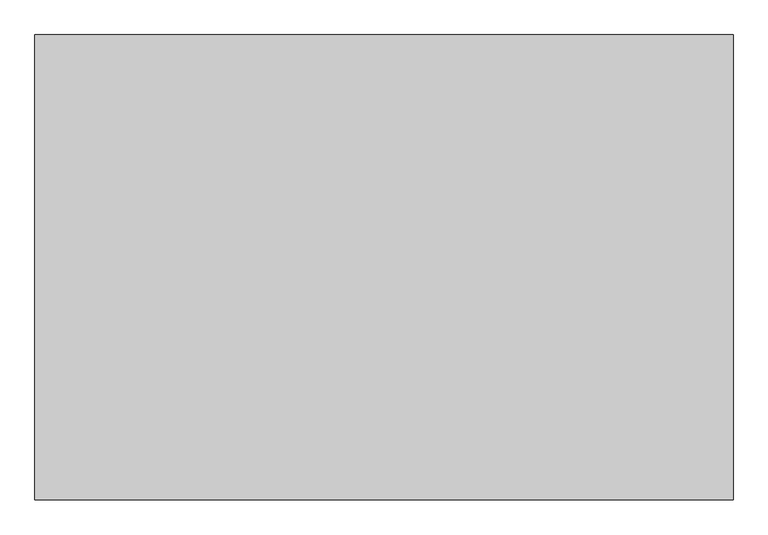
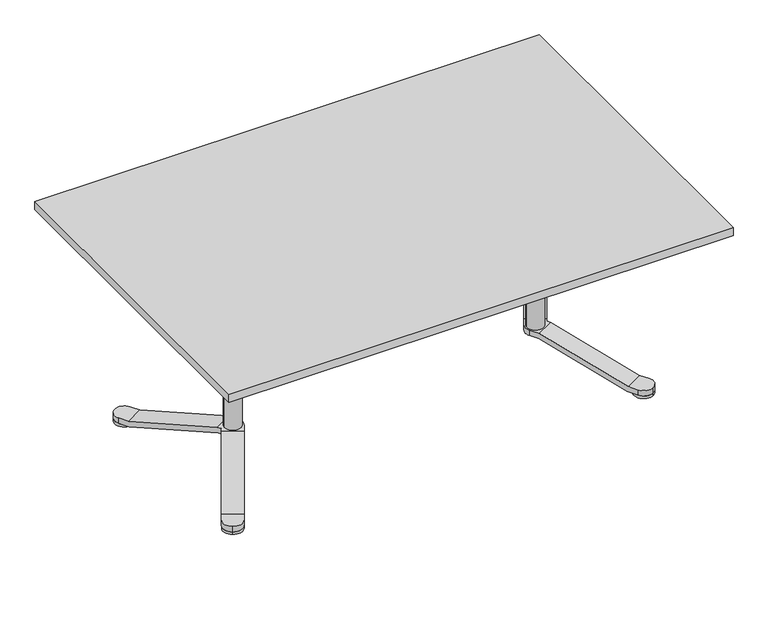
"""IFC4 building model written with IfcOpenShell, lengths in millimetres: furniture geometry."""

from ifc_helpers import new_model, si_unit, point, frame, frame_2d, origin, origin_with_axes, place, context, project, spatial, polyline, circle_curve, ellipse_curve, trimmed, segment, composite_curve, outline, extrude, source, transform, mapped, element, save
from ifc_brep_helpers import plane_surface, cylinder_surface, advanced_brep


def furniture_3f6664e4(model_context):
    return source(origin(), model_context, "Body", "SolidModel", [
        advanced_brep(
        [(-313.9430973, -35.0, 694.0), (-275.0, -35.0, 694.0), (-240.0, 0.0, 694.0), (-275.0, 35.0, 694.0), (-313.9430973, 35.0, 694.0), (-310.0, -35.0, 674.0), (-310.0, 35.0, 674.0), (-275.0, 35.0, 674.0), (-240.0, 0.0, 674.0), (-275.0, -35.0, 674.0), (-508.9430973, 35.0, 614.0), (-508.9430973, 16.1390456, 614.0), (-505.0, 0.0, 615.6176809), (-508.9430973, -16.1390456, 614.0), (-508.9430973, -35.0, 614.0), (-505.0, -35.0, 594.0), (-505.0, 35.0, 594.0), (-505.0, 0.0, 618.0), (-575.0, 0.0, 618.0), (-575.0, 0.0, 614.0), (-569.5052748, -18.8265439, 614.0), (-541.5516279, -34.9655895, 614.0), (-541.5516279, 34.9655895, 614.0), (-569.5052748, 18.8265439, 614.0), (-519.7927406, -35.0, 614.0), (-519.7927406, -35.0, 594.0), (-519.7927406, 35.0, 594.0), (-519.7927406, 35.0, 614.0), (-525.2175622, -44.3960667, 614.0), (-525.2175622, 44.3960667, 614.0), (-585.8393405, 9.3960667, 614.0), (-580.4145188, 0.0, 614.0), (-585.8393405, -9.3960667, 614.0), (-527.1891109, -47.8108891, 594.0), (-587.8108891, -12.8108891, 594.0), (-580.4145188, 0.0, 594.0), (-587.8108891, 12.8108891, 594.0), (-527.1891109, 47.8108891, 594.0), (-622.7175622, 213.2710205, 694.0), (-642.1891109, 246.996732, 694.0), (-690.0, 259.8076211, 694.0), (-702.8108891, 211.996732, 694.0), (-683.3393405, 178.2710205, 694.0), (-624.6891109, 216.6858429, 674.0), (-685.3108891, 181.6858429, 674.0), (-702.8108891, 211.996732, 674.0), (-690.0, 259.8076211, 674.0), (-642.1891109, 246.996732, 674.0), (-690.0, -259.8076211, 694.0), (-642.1891109, -246.996732, 694.0), (-622.7175622, -213.2710205, 694.0), (-683.3393405, -178.2710205, 694.0), (-702.8108891, -211.996732, 694.0), (-690.0, -259.8076211, 674.0), (-702.8108891, -211.996732, 674.0), (-685.3108891, -181.6858429, 674.0), (-624.6891109, -216.6858429, 674.0), (-642.1891109, -246.996732, 674.0)],
        [
            (0, 1),
            (1, 2, circle_curve(frame((-275.0, 0.0, 694.0), z_axis=(0.0, 0.0, 1.0), x_axis=(-1.0, 0.0, 0.0)), 35.0)),
            (2, 3, circle_curve(frame((-275.0, 0.0, 694.0), z_axis=(0.0, 0.0, 1.0), x_axis=(-1.0, 0.0, 0.0)), 35.0)),
            (3, 4),
            (4, 0),
            (5, 6),
            (6, 7),
            (7, 8, circle_curve(frame((-275.0, 0.0, 674.0), z_axis=(0.0, 0.0, -1.0), x_axis=(-1.0, 0.0, 0.0)), 35.0)),
            (8, 9, circle_curve(frame((-275.0, 0.0, 674.0), z_axis=(0.0, 0.0, -1.0), x_axis=(-1.0, 0.0, 0.0)), 35.0)),
            (9, 5),
            (1, 9),
            (8, 2),
            (7, 3),
            (4, 10),
            (10, 11),
            (11, 12, ellipse_curve(frame((-540.0, 0.0, 601.2587066), z_axis=(0.37955635625630724, 0.0, -0.9251686183747454), x_axis=(0.9251686183747455, 0.0, 0.37955635625630696)), 37.8309416, 35.0)),
            (12, 13, ellipse_curve(frame((-540.0, 0.0, 601.2587066), z_axis=(0.37955635625630724, 0.0, -0.9251686183747454), x_axis=(0.9251686183747455, 0.0, 0.37955635625630696)), 37.8309416, 35.0)),
            (13, 14),
            (14, 0),
            (5, 15),
            (15, 16),
            (16, 6),
            (17, 18, circle_curve(frame((-540.0, 0.0, 618.0), z_axis=(0.0, 0.0, 1.0), x_axis=(-1.0, 0.0, 0.0)), 35.0)),
            (18, 17, circle_curve(frame((-540.0, 0.0, 618.0), z_axis=(0.0, 0.0, 1.0), x_axis=(-1.0, 0.0, 0.0)), 35.0)),
            (18, 19),
            (19, 20, circle_curve(frame((-540.0, 0.0, 614.0), z_axis=(0.0, 0.0, 1.0), x_axis=(-1.0, 0.0, 0.0)), 35.0)),
            (20, 21, ellipse_curve(frame((-540.0, 0.0, 601.2587066), z_axis=(0.18977817812817024, 0.32870544668580903, 0.9251686183747454), x_axis=(-0.46258430918741966, -0.8012195262966529, 0.37955635625630724)), 37.8309416, 35.0)),
            (21, 13, circle_curve(frame((-540.0, 0.0, 614.0), z_axis=(0.0, 0.0, 1.0), x_axis=(-1.0, 0.0, 0.0)), 35.0)),
            (12, 17),
            (11, 22, circle_curve(frame((-540.0, 0.0, 614.0), z_axis=(0.0, 0.0, 1.0), x_axis=(-1.0, 0.0, 0.0)), 35.0)),
            (22, 23, ellipse_curve(frame((-540.0, 0.0, 601.2587066), z_axis=(0.18977817812813838, -0.3287054466858273, 0.9251686183747454), x_axis=(-0.4625843091873421, 0.8012195262966977, 0.3795563562563073)), 37.8309416, 35.0)),
            (23, 19, circle_curve(frame((-540.0, 0.0, 614.0), z_axis=(0.0, 0.0, 1.0), x_axis=(-1.0, 0.0, 0.0)), 35.0)),
            (14, 24),
            (24, 25),
            (25, 15),
            (16, 26),
            (26, 27),
            (27, 10),
            (21, 28),
            (28, 24),
            (27, 29),
            (29, 22),
            (30, 31),
            (31, 32),
            (32, 20),
            (23, 30),
            (25, 33),
            (33, 34),
            (34, 35),
            (35, 36),
            (36, 37),
            (37, 26),
            (38, 39),
            (39, 40, circle_curve(frame((-672.5, 229.496732, 694.0), z_axis=(0.0, 0.0, 1.0), x_axis=(0.5000000000000033, -0.8660254037844368, 0.0)), 35.0)),
            (40, 41, circle_curve(frame((-672.5, 229.496732, 694.0), z_axis=(0.0, 0.0, 1.0), x_axis=(0.5000000000000033, -0.8660254037844368, 0.0)), 35.0)),
            (41, 42),
            (42, 38),
            (43, 44),
            (44, 45),
            (45, 46, circle_curve(frame((-672.5, 229.496732, 674.0), z_axis=(0.0, 0.0, -1.0), x_axis=(0.5000000000000033, -0.8660254037844368, 0.0)), 35.0)),
            (46, 47, circle_curve(frame((-672.5, 229.496732, 674.0), z_axis=(0.0, 0.0, -1.0), x_axis=(0.5000000000000033, -0.8660254037844368, 0.0)), 35.0)),
            (47, 43),
            (39, 47),
            (46, 40),
            (45, 41),
            (42, 30),
            (29, 38),
            (43, 37),
            (36, 44),
            (35, 31),
            (48, 49, circle_curve(frame((-672.5, -229.496732, 694.0), z_axis=(0.0, 0.0, 1.0), x_axis=(0.4999999999999982, 0.8660254037844397, 0.0)), 35.0)),
            (49, 50),
            (50, 51),
            (51, 52),
            (52, 48, circle_curve(frame((-672.5, -229.496732, 694.0), z_axis=(0.0, 0.0, 1.0), x_axis=(0.4999999999999982, 0.8660254037844397, 0.0)), 35.0)),
            (53, 54, circle_curve(frame((-672.5, -229.496732, 674.0), z_axis=(0.0, 0.0, -1.0), x_axis=(0.4999999999999982, 0.8660254037844397, 0.0)), 35.0)),
            (54, 55),
            (55, 56),
            (56, 57),
            (57, 53, circle_curve(frame((-672.5, -229.496732, 674.0), z_axis=(0.0, 0.0, -1.0), x_axis=(0.4999999999999982, 0.8660254037844397, 0.0)), 35.0)),
            (52, 54),
            (53, 48),
            (57, 49),
            (50, 28),
            (32, 51),
            (55, 34),
            (33, 56),
        ],
        [
            plane_surface(frame((-310.0, 0.0, 694.0), z_axis=(0.0, 0.0, 1.0), x_axis=(0.0, 1.0, 0.0))),
            plane_surface(frame((-310.0, 0.0, 674.0), z_axis=(0.0, 0.0, -1.0), x_axis=(0.0, -1.0, 0.0))),
            cylinder_surface(frame((-275.0, 0.0, 674.0), z_axis=(0.0, 0.0, 1.0), x_axis=(-1.0, 0.0, 0.0)), 35.0),
            plane_surface(frame((-313.9430973, -35.0, 694.0), z_axis=(-0.37955635625630724, 0.0, 0.9251686183747454), x_axis=(-0.9251686183747454, 0.0, -0.37955635625630724))),
            plane_surface(frame((-310.0, 35.0, 674.0), z_axis=(0.37955635625630724, 0.0, -0.9251686183747454), x_axis=(-0.9251686183747454, 0.0, -0.37955635625630724))),
            plane_surface(frame((-575.0, 0.0, 618.0), z_axis=(0.0, 0.0, 1.0), x_axis=(0.0, 1.0, 0.0))),
            cylinder_surface(frame((-540.0, 0.0, 594.0), z_axis=(0.0, 0.0, 1.0), x_axis=(-1.0, 0.0, 0.0)), 35.0),
            plane_surface(frame((-275.0, -35.0, 674.0), z_axis=(0.0, -1.0, 0.0), x_axis=(-1.0, 0.0, 0.0))),
            plane_surface(frame((-275.0, 35.0, 694.0), z_axis=(0.0, 1.0, 0.0), x_axis=(-1.0, 0.0, 0.0))),
            plane_surface(frame((-508.9430973, -35.0, 614.0), z_axis=(0.0, 0.0, 1.0), x_axis=(-1.0, 0.0, 0.0))),
            plane_surface(frame((-505.0, 35.0, 594.0), z_axis=(0.0, 0.0, -1.0), x_axis=(-1.0, 0.0, 0.0))),
            plane_surface(frame((-655.0, 199.1858429, 694.0), z_axis=(0.0, 0.0, 1.0000000000000002), x_axis=(-0.8660254037844368, -0.5000000000000033, 0.0))),
            plane_surface(frame((-655.0, 199.1858429, 674.0), z_axis=(0.0, 0.0, -1.0000000000000002), x_axis=(0.8660254037844368, 0.5000000000000033, 0.0))),
            cylinder_surface(frame((-672.5, 229.496732, 674.0), z_axis=(0.0, 0.0, 1.0000000000000002), x_axis=(0.5000000000000033, -0.8660254037844368, 0.0)), 35.0),
            plane_surface(frame((-622.7175622, 213.2710205, 694.0), z_axis=(0.18977817812813838, -0.3287054466858273, 0.9251686183747454), x_axis=(0.46258430918737786, -0.8012195262966771, -0.379556356256307))),
            plane_surface(frame((-685.3108891, 181.6858429, 674.0), z_axis=(-0.18977817812813805, 0.32870544668582763, -0.9251686183747454), x_axis=(0.46258430918737803, -0.801219526296677, -0.3795563562563071))),
            plane_surface(frame((-642.1891109, 246.996732, 674.0), z_axis=(0.8660254037844353, 0.500000000000006, 0.0), x_axis=(0.500000000000006, -0.8660254037844353, 0.0))),
            plane_surface(frame((-702.8108891, 211.996732, 694.0), z_axis=(-0.8660254037844354, -0.5000000000000057, 0.0), x_axis=(0.5000000000000057, -0.8660254037844354, 0.0))),
            plane_surface(frame((-655.0, -199.1858429, 694.0), z_axis=(0.0, 0.0, 1.0), x_axis=(0.8660254037844397, -0.4999999999999982, 0.0))),
            plane_surface(frame((-655.0, -199.1858429, 674.0), z_axis=(0.0, 0.0, -1.0), x_axis=(-0.8660254037844397, 0.4999999999999982, 0.0))),
            cylinder_surface(frame((-672.5, -229.496732, 674.0), z_axis=(0.0, 0.0, 1.0), x_axis=(0.4999999999999982, 0.8660254037844397, 0.0)), 35.0),
            plane_surface(frame((-683.3393405, -178.2710205, 694.0), z_axis=(0.18977817812817024, 0.32870544668580903, 0.9251686183747454), x_axis=(0.462584309187371, 0.801219526296681, -0.3795563562563072))),
            plane_surface(frame((-624.6891109, -216.6858429, 674.0), z_axis=(-0.1897781781281706, -0.32870544668580876, -0.9251686183747455), x_axis=(0.46258430918737103, 0.8012195262966811, -0.3795563562563071))),
            plane_surface(frame((-702.8108891, -211.996732, 674.0), z_axis=(-0.8660254037844399, 0.4999999999999979, 0.0), x_axis=(0.4999999999999979, 0.8660254037844399, 0.0))),
            plane_surface(frame((-642.1891109, -246.996732, 694.0), z_axis=(0.8660254037844398, -0.49999999999999806, 0.0), x_axis=(0.49999999999999806, 0.8660254037844398, 0.0))),
        ],
        [
            (0, [[1, 2, 3, 4, 5]]),
            (1, [[6, 7, 8, 9, 10]]),
            (2, [[-2, 11, -9, 12]]),
            (2, [[-8, 13, -3, -12]]),
            (3, [[14, 15, 16, 17, 18, 19, -5]]),
            (4, [[-6, 20, 21, 22]]),
            (5, [[23, 24]]),
            (6, [[25, 26, 27, 28, -17, 29, -24]]),
            (6, [[-29, -16, 30, 31, 32, -25, -23]]),
            (7, [[33, 34, 35, -20, -10, -11, -1, -19]]),
            (8, [[-4, -13, -7, -22, 36, 37, 38, -14]]),
            (9, [[-28, 39, 40, -33, -18]]),
            (9, [[-38, 41, 42, -30, -15]]),
            (9, [[43, 44, 45, -26, -32, 46]]),
            (10, [[-35, 47, 48, 49, 50, 51, 52, -36, -21]]),
            (11, [[53, 54, 55, 56, 57]]),
            (12, [[58, 59, 60, 61, 62]]),
            (13, [[-54, 63, -61, 64]]),
            (13, [[-60, 65, -55, -64]]),
            (14, [[66, -46, -31, -42, 67, -57]]),
            (15, [[-58, 68, -51, 69]]),
            (16, [[-41, -37, -52, -68, -62, -63, -53, -67]]),
            (17, [[-56, -65, -59, -69, -50, 70, -43, -66]]),
            (18, [[71, 72, 73, 74, 75]]),
            (19, [[76, 77, 78, 79, 80]]),
            (20, [[-75, 81, -76, 82]]),
            (20, [[-80, 83, -71, -82]]),
            (21, [[84, -39, -27, -45, 85, -73]]),
            (22, [[86, -48, 87, -78]]),
            (23, [[-44, -70, -49, -86, -77, -81, -74, -85]]),
            (24, [[-72, -83, -79, -87, -47, -34, -40, -84]]),
        ],
    ),
        extrude(outline(composite_curve([segment(trimmed(circle_curve(frame_2d((-733.5, 335.1518313)), 35.0), [point((-716.0, 304.8409421))], [point((-751.0, 365.4627204))], False, "CARTESIAN"), True, "CONTINUOUS"), segment(trimmed(circle_curve(frame_2d((-733.5, 335.1518313)), 35.0), [point((-751.0, 365.4627204))], [point((-716.0, 304.8409421))], False, "CARTESIAN"), True, "CONTINUOUS")], self_intersect=False)), origin_with_axes(), (0.0, 0.0, 1.0), 10.0),
        advanced_brep(
        [(-744.9373899, -284.9619717, 10.0), (-586.4373899, -10.4319187, 98.7542004), (-525.8156116, -45.4319187, 98.7542004), (-684.3156116, -319.9619717, 10.0), (-746.3108891, -287.3409421, 30.0), (-685.6891109, -322.3409421, 30.0), (-527.1891109, -47.8108891, 118.7542004), (-587.8108891, -12.8108891, 118.7542004), (-763.8108891, -317.6518313, 10.0), (-763.8108891, -317.6518313, 30.0), (-580.4145188, 0.0, 118.7542004), (-580.4145188, 0.0, 98.7542004), (-703.1891109, -352.6518313, 10.0), (-751.0, -365.4627204, 10.0), (-509.6891109, -17.5, 98.7542004), (-509.6891109, -17.5, 118.7542004), (-703.1891109, -352.6518313, 30.0), (-751.0, -365.4627204, 30.0), (-586.4373899, 10.4319187, 98.7542004), (-525.8156116, 45.4319187, 98.7542004), (-509.6891109, 17.5, 98.7542004), (-509.6891109, 17.5, 118.7542004), (-527.1891109, 47.8108891, 118.7542004), (-587.8108891, 12.8108891, 118.7542004), (-684.3156116, 319.9619717, 10.0), (-744.9373899, 284.9619717, 10.0), (-685.6891109, 322.3409421, 30.0), (-746.3108891, 287.3409421, 30.0), (-703.1891109, 352.6518313, 10.0), (-703.1891109, 352.6518313, 30.0), (-763.8108891, 317.6518313, 10.0), (-751.0, 365.4627204, 10.0), (-763.8108891, 317.6518313, 30.0), (-751.0, 365.4627204, 30.0)],
        [
            (0, 1),
            (1, 2),
            (2, 3),
            (3, 0),
            (4, 5),
            (5, 6),
            (6, 7),
            (7, 4),
            (0, 8),
            (8, 9),
            (9, 4),
            (7, 10),
            (10, 11),
            (11, 1),
            (3, 12),
            (12, 13, circle_curve(frame((-733.5, -335.1518313, 10.0), z_axis=(0.0, 0.0, -1.0), x_axis=(0.49999999999999245, 0.866025403784443, 0.0)), 35.0)),
            (13, 8, circle_curve(frame((-733.5, -335.1518313, 10.0), z_axis=(0.0, 0.0, -1.0), x_axis=(0.49999999999999245, 0.866025403784443, 0.0)), 35.0)),
            (2, 14),
            (14, 15),
            (15, 6),
            (5, 16),
            (16, 12),
            (9, 17, circle_curve(frame((-733.5, -335.1518313, 30.0), z_axis=(0.0, 0.0, 1.0), x_axis=(0.49999999999999245, 0.866025403784443, 0.0)), 35.0)),
            (17, 16, circle_curve(frame((-733.5, -335.1518313, 30.0), z_axis=(0.0, 0.0, 1.0), x_axis=(0.49999999999999245, 0.866025403784443, 0.0)), 35.0)),
            (11, 18),
            (18, 19),
            (19, 20),
            (20, 14, circle_curve(frame((-540.0, 0.0, 98.7542004), z_axis=(0.0, 0.0, -1.0), x_axis=(-0.499999999999998, -0.8660254037844398, 0.0)), 35.0)),
            (15, 21, circle_curve(frame((-540.0, 0.0, 118.7542004), z_axis=(0.0, 0.0, 1.0), x_axis=(-0.499999999999998, -0.8660254037844398, 0.0)), 35.0)),
            (21, 22),
            (22, 23),
            (23, 10),
            (17, 13),
            (24, 19),
            (18, 25),
            (25, 24),
            (26, 27),
            (27, 23),
            (22, 26),
            (24, 28),
            (28, 29),
            (29, 26),
            (21, 20),
            (25, 30),
            (30, 31, circle_curve(frame((-733.5, 335.1518313, 10.0), z_axis=(0.0, 0.0, -1.0), x_axis=(0.5000000000000067, -0.8660254037844348, 0.0)), 35.0)),
            (31, 28, circle_curve(frame((-733.5, 335.1518313, 10.0), z_axis=(0.0, 0.0, -1.0), x_axis=(0.5000000000000067, -0.8660254037844348, 0.0)), 35.0)),
            (27, 32),
            (32, 30),
            (29, 33, circle_curve(frame((-733.5, 335.1518313, 30.0), z_axis=(0.0, 0.0, 1.0), x_axis=(0.5000000000000067, -0.8660254037844348, 0.0)), 35.0)),
            (33, 32, circle_curve(frame((-733.5, 335.1518313, 30.0), z_axis=(0.0, 0.0, 1.0), x_axis=(0.5000000000000067, -0.8660254037844348, 0.0)), 35.0)),
            (33, 31),
        ],
        [
            plane_surface(frame((-684.3156116, -319.9619717, 10.0), z_axis=(0.13480679420202513, 0.23349221676335374, -0.9629685939572007), x_axis=(0.4814842969785931, 0.833955265413522, 0.26961358840401967))),
            plane_surface(frame((-746.3108891, -287.3409421, 30.0), z_axis=(-0.13480679420202557, -0.2334922167633536, 0.9629685939572008), x_axis=(0.481484296978593, 0.833955265413522, 0.2696135884040197))),
            plane_surface(frame((-763.8108891, -317.6518313, 10.0), z_axis=(-0.8660254037844429, 0.49999999999999256, 0.0), x_axis=(0.49999999999999256, 0.8660254037844429, 0.0))),
            plane_surface(frame((-703.1891109, -352.6518313, 10.0), z_axis=(0.0, 0.0, -1.0), x_axis=(0.4999999999999921, 0.8660254037844433, 0.0))),
            plane_surface(frame((-703.1891109, -352.6518313, 30.0), z_axis=(0.8660254037844428, -0.49999999999999295, 0.0), x_axis=(0.49999999999999295, 0.8660254037844428, 0.0))),
            plane_surface(frame((-763.8108891, -317.6518313, 30.0), z_axis=(0.0, 0.0, 1.0), x_axis=(0.49999999999999256, 0.8660254037844429, 0.0))),
            plane_surface(frame((-525.8156116, -45.4319187, 98.7542004), z_axis=(0.0, 0.0, -1.0), x_axis=(0.4999999999999923, 0.8660254037844431, 0.0))),
            plane_surface(frame((-587.8108891, -12.8108891, 118.7542004), z_axis=(0.0, 0.0, 1.0), x_axis=(0.49999999999999234, 0.8660254037844431, 0.0))),
            cylinder_surface(frame((-733.5, -335.1518313, 10.0), z_axis=(0.0, 0.0, 1.0), x_axis=(0.49999999999999245, 0.866025403784443, 0.0)), 35.0),
            plane_surface(frame((-744.9373899, 284.9619717, 10.0), z_axis=(0.13480679420199432, -0.23349221676337148, -0.9629685939572008), x_axis=(0.48148429697860684, -0.8339552654135142, 0.2696135884040196))),
            plane_surface(frame((-685.6891109, 322.3409421, 30.0), z_axis=(-0.13480679420199398, 0.23349221676337176, 0.9629685939572007), x_axis=(0.4814842969786067, -0.8339552654135141, 0.26961358840401967))),
            plane_surface(frame((-703.1891109, 352.6518313, 10.0), z_axis=(0.8660254037844345, 0.5000000000000074, 0.0), x_axis=(0.5000000000000074, -0.8660254037844345, 0.0))),
            plane_surface(frame((-763.8108891, 317.6518313, 10.0), z_axis=(0.0, 0.0, -1.0), x_axis=(0.500000000000008, -0.866025403784434, 0.0))),
            plane_surface(frame((-763.8108891, 317.6518313, 30.0), z_axis=(-0.8660254037844347, -0.5000000000000069, 0.0), x_axis=(0.5000000000000069, -0.8660254037844347, 0.0))),
            plane_surface(frame((-703.1891109, 352.6518313, 30.0), z_axis=(0.0, 0.0, 1.0), x_axis=(0.5000000000000078, -0.8660254037844342, 0.0))),
            cylinder_surface(frame((-733.5, 335.1518313, 10.0), z_axis=(0.0, 0.0, 1.0), x_axis=(0.5000000000000067, -0.8660254037844348, 0.0)), 35.0),
            cylinder_surface(frame((-540.0, 0.0, 98.7542004), z_axis=(0.0, 0.0, 1.0), x_axis=(-0.499999999999998, -0.8660254037844398, 0.0)), 35.0),
        ],
        [
            (0, [[1, 2, 3, 4]]),
            (1, [[5, 6, 7, 8]]),
            (2, [[9, 10, 11, -8, 12, 13, 14, -1]]),
            (3, [[15, 16, 17, -9, -4]]),
            (4, [[18, 19, 20, -6, 21, 22, -15, -3]]),
            (5, [[23, 24, -21, -5, -11]]),
            (6, [[-2, -14, 25, 26, 27, 28, -18]]),
            (7, [[29, 30, 31, 32, -12, -7, -20]]),
            (8, [[-16, -22, -24, 33]]),
            (8, [[-23, -10, -17, -33]]),
            (9, [[34, -26, 35, 36]]),
            (10, [[37, 38, -31, 39]]),
            (11, [[40, 41, 42, -39, -30, 43, -27, -34]]),
            (12, [[44, 45, 46, -40, -36]]),
            (13, [[-25, -13, -32, -38, 47, 48, -44, -35]]),
            (14, [[49, 50, -47, -37, -42]]),
            (15, [[-45, -48, -50, 51]]),
            (15, [[-49, -41, -46, -51]]),
            (16, [[-19, -28, -43, -29]]),
        ],
    ),
        extrude(outline(composite_curve([segment(trimmed(circle_curve(frame_2d((-540.0, 0.0)), 30.0), [point((-510.0, 0.0))], [point((-570.0, 0.0))], False, "CARTESIAN"), True, "CONTINUOUS"), segment(trimmed(circle_curve(frame_2d((-540.0, 0.0)), 30.0), [point((-570.0, 0.0))], [point((-510.0, 0.0))], False, "CARTESIAN"), True, "CONTINUOUS")], self_intersect=False)), frame((0.0, 0.0, 118.7542004), z_axis=(0.0, 0.0, 1.0), x_axis=(1.0, 0.0, 0.0)), (0.0, 0.0, 1.0), 475.2457996),
        extrude(outline(composite_curve([segment(trimmed(circle_curve(frame_2d((-733.5, -335.1518313)), 35.0), [point((-716.0, -304.8409421))], [point((-751.0, -365.4627204))], False, "CARTESIAN"), True, "CONTINUOUS"), segment(trimmed(circle_curve(frame_2d((-733.5, -335.1518313)), 35.0), [point((-751.0, -365.4627204))], [point((-716.0, -304.8409421))], False, "CARTESIAN"), True, "CONTINUOUS")], self_intersect=False)), origin_with_axes(), (0.0, 0.0, 1.0), 10.0),
        advanced_brep(
        [(313.9430973, -35.0, 694.0), (313.9430973, 35.0, 694.0), (275.0, 35.0, 694.0), (240.0, 0.0, 694.0), (275.0, -35.0, 694.0), (310.0, -35.0, 674.0), (275.0, -35.0, 674.0), (240.0, 0.0, 674.0), (275.0, 35.0, 674.0), (310.0, 35.0, 674.0), (508.9430973, -35.0, 614.0), (508.9430973, -16.1390456, 614.0), (505.0, 0.0, 615.6176809), (508.9430973, 16.1390456, 614.0), (508.9430973, 35.0, 614.0), (505.0, 35.0, 594.0), (505.0, -35.0, 594.0), (505.0, 0.0, 618.0), (575.0, 0.0, 618.0), (541.5516279, -34.9655895, 614.0), (569.5052748, -18.8265439, 614.0), (575.0, 0.0, 614.0), (569.5052748, 18.8265439, 614.0), (541.5516279, 34.9655895, 614.0), (519.7927406, -35.0, 594.0), (519.7927406, -35.0, 614.0), (519.7927406, 35.0, 614.0), (519.7927406, 35.0, 594.0), (525.2175622, -44.3960667, 614.0), (525.2175622, 44.3960667, 614.0), (585.8393405, 9.3960667, 614.0), (585.8393405, -9.3960667, 614.0), (580.4145188, 0.0, 614.0), (527.1891109, 47.8108891, 594.0), (587.8108891, 12.8108891, 594.0), (580.4145188, 0.0, 594.0), (587.8108891, -12.8108891, 594.0), (527.1891109, -47.8108891, 594.0), (622.7175622, 213.2710205, 694.0), (683.3393405, 178.2710205, 694.0), (702.8108891, 211.996732, 694.0), (690.0, 259.8076211, 694.0), (642.1891109, 246.996732, 694.0), (624.6891109, 216.6858429, 674.0), (642.1891109, 246.996732, 674.0), (690.0, 259.8076211, 674.0), (702.8108891, 211.996732, 674.0), (685.3108891, 181.6858429, 674.0), (690.0, -259.8076211, 694.0), (702.8108891, -211.996732, 694.0), (683.3393405, -178.2710205, 694.0), (622.7175622, -213.2710205, 694.0), (642.1891109, -246.996732, 694.0), (690.0, -259.8076211, 674.0), (642.1891109, -246.996732, 674.0), (624.6891109, -216.6858429, 674.0), (685.3108891, -181.6858429, 674.0), (702.8108891, -211.996732, 674.0)],
        [
            (0, 1),
            (1, 2),
            (2, 3, circle_curve(frame((275.0, 0.0, 694.0), z_axis=(0.0, 0.0, 1.0), x_axis=(1.0, 0.0, 0.0)), 35.0)),
            (3, 4, circle_curve(frame((275.0, 0.0, 694.0), z_axis=(0.0, 0.0, 1.0), x_axis=(1.0, 0.0, 0.0)), 35.0)),
            (4, 0),
            (5, 6),
            (6, 7, circle_curve(frame((275.0, 0.0, 674.0), z_axis=(0.0, 0.0, -1.0), x_axis=(1.0, 0.0, 0.0)), 35.0)),
            (7, 8, circle_curve(frame((275.0, 0.0, 674.0), z_axis=(0.0, 0.0, -1.0), x_axis=(1.0, 0.0, 0.0)), 35.0)),
            (8, 9),
            (9, 5),
            (3, 7),
            (6, 4),
            (2, 8),
            (0, 10),
            (10, 11),
            (11, 12, ellipse_curve(frame((540.0, 0.0, 601.2587066), z_axis=(-0.37955635625630724, 0.0, -0.9251686183747454), x_axis=(-0.9251686183747455, 0.0, 0.37955635625630696)), 37.8309416, 35.0)),
            (12, 13, ellipse_curve(frame((540.0, 0.0, 601.2587066), z_axis=(-0.37955635625630724, 0.0, -0.9251686183747454), x_axis=(-0.9251686183747455, 0.0, 0.37955635625630696)), 37.8309416, 35.0)),
            (13, 14),
            (14, 1),
            (9, 15),
            (15, 16),
            (16, 5),
            (17, 18, circle_curve(frame((540.0, 0.0, 618.0), z_axis=(0.0, 0.0, 1.0), x_axis=(1.0, 0.0, 0.0)), 35.0)),
            (18, 17, circle_curve(frame((540.0, 0.0, 618.0), z_axis=(0.0, 0.0, 1.0), x_axis=(1.0, 0.0, 0.0)), 35.0)),
            (17, 12),
            (11, 19, circle_curve(frame((540.0, 0.0, 614.0), z_axis=(0.0, 0.0, 1.0), x_axis=(1.0, 0.0, 0.0)), 35.0)),
            (19, 20, ellipse_curve(frame((540.0, 0.0, 601.2587066), z_axis=(-0.18977817812817024, 0.32870544668580903, 0.9251686183747454), x_axis=(0.46258430918741966, -0.8012195262966529, 0.37955635625630724)), 37.8309416, 35.0)),
            (20, 21, circle_curve(frame((540.0, 0.0, 614.0), z_axis=(0.0, 0.0, 1.0), x_axis=(1.0, 0.0, 0.0)), 35.0)),
            (21, 18),
            (21, 22, circle_curve(frame((540.0, 0.0, 614.0), z_axis=(0.0, 0.0, 1.0), x_axis=(1.0, 0.0, 0.0)), 35.0)),
            (22, 23, ellipse_curve(frame((540.0, 0.0, 601.2587066), z_axis=(-0.18977817812813838, -0.3287054466858273, 0.9251686183747454), x_axis=(0.4625843091873421, 0.8012195262966977, 0.3795563562563073)), 37.8309416, 35.0)),
            (23, 13, circle_curve(frame((540.0, 0.0, 614.0), z_axis=(0.0, 0.0, 1.0), x_axis=(1.0, 0.0, 0.0)), 35.0)),
            (16, 24),
            (24, 25),
            (25, 10),
            (14, 26),
            (26, 27),
            (27, 15),
            (25, 28),
            (28, 19),
            (23, 29),
            (29, 26),
            (30, 22),
            (20, 31),
            (31, 32),
            (32, 30),
            (27, 33),
            (33, 34),
            (34, 35),
            (35, 36),
            (36, 37),
            (37, 24),
            (38, 39),
            (39, 40),
            (40, 41, circle_curve(frame((672.5, 229.496732, 694.0), z_axis=(0.0, 0.0, 1.0), x_axis=(-0.5000000000000033, -0.8660254037844368, 0.0)), 35.0)),
            (41, 42, circle_curve(frame((672.5, 229.496732, 694.0), z_axis=(0.0, 0.0, 1.0), x_axis=(-0.5000000000000033, -0.8660254037844368, 0.0)), 35.0)),
            (42, 38),
            (43, 44),
            (44, 45, circle_curve(frame((672.5, 229.496732, 674.0), z_axis=(0.0, 0.0, -1.0), x_axis=(-0.5000000000000033, -0.8660254037844368, 0.0)), 35.0)),
            (45, 46, circle_curve(frame((672.5, 229.496732, 674.0), z_axis=(0.0, 0.0, -1.0), x_axis=(-0.5000000000000033, -0.8660254037844368, 0.0)), 35.0)),
            (46, 47),
            (47, 43),
            (41, 45),
            (44, 42),
            (40, 46),
            (38, 29),
            (30, 39),
            (47, 34),
            (33, 43),
            (32, 35),
            (48, 49, circle_curve(frame((672.5, -229.496732, 694.0), z_axis=(0.0, 0.0, 1.0), x_axis=(-0.4999999999999982, 0.8660254037844397, 0.0)), 35.0)),
            (49, 50),
            (50, 51),
            (51, 52),
            (52, 48, circle_curve(frame((672.5, -229.496732, 694.0), z_axis=(0.0, 0.0, 1.0), x_axis=(-0.4999999999999982, 0.8660254037844397, 0.0)), 35.0)),
            (53, 54, circle_curve(frame((672.5, -229.496732, 674.0), z_axis=(0.0, 0.0, -1.0), x_axis=(-0.4999999999999982, 0.8660254037844397, 0.0)), 35.0)),
            (54, 55),
            (55, 56),
            (56, 57),
            (57, 53, circle_curve(frame((672.5, -229.496732, 674.0), z_axis=(0.0, 0.0, -1.0), x_axis=(-0.4999999999999982, 0.8660254037844397, 0.0)), 35.0)),
            (48, 53),
            (57, 49),
            (52, 54),
            (50, 31),
            (28, 51),
            (55, 37),
            (36, 56),
        ],
        [
            plane_surface(frame((310.0, 0.0, 694.0), z_axis=(0.0, 0.0, 1.0), x_axis=(0.0, 1.0, 0.0))),
            plane_surface(frame((310.0, 0.0, 674.0), z_axis=(0.0, 0.0, -1.0), x_axis=(0.0, -1.0, 0.0))),
            cylinder_surface(frame((275.0, 0.0, 674.0), z_axis=(0.0, 0.0, 1.0), x_axis=(1.0, 0.0, 0.0)), 35.0),
            plane_surface(frame((313.9430973, -35.0, 694.0), z_axis=(0.37955635625630724, 0.0, 0.9251686183747454), x_axis=(0.9251686183747454, 0.0, -0.37955635625630724))),
            plane_surface(frame((310.0, 35.0, 674.0), z_axis=(-0.37955635625630724, 0.0, -0.9251686183747454), x_axis=(0.9251686183747454, 0.0, -0.37955635625630724))),
            plane_surface(frame((575.0, 0.0, 618.0), z_axis=(0.0, 0.0, 1.0), x_axis=(0.0, 1.0, 0.0))),
            cylinder_surface(frame((540.0, 0.0, 594.0), z_axis=(0.0, 0.0, 1.0), x_axis=(1.0, 0.0, 0.0)), 35.0),
            plane_surface(frame((275.0, -35.0, 674.0), z_axis=(0.0, -1.0, 0.0), x_axis=(1.0, 0.0, 0.0))),
            plane_surface(frame((275.0, 35.0, 694.0), z_axis=(0.0, 1.0, 0.0), x_axis=(1.0, 0.0, 0.0))),
            plane_surface(frame((508.9430973, -35.0, 614.0), z_axis=(0.0, 0.0, 1.0), x_axis=(1.0, 0.0, 0.0))),
            plane_surface(frame((505.0, 35.0, 594.0), z_axis=(0.0, 0.0, -1.0), x_axis=(1.0, 0.0, 0.0))),
            plane_surface(frame((655.0, 199.1858429, 694.0), z_axis=(0.0, 0.0, 1.0000000000000002), x_axis=(0.8660254037844368, -0.5000000000000033, 0.0))),
            plane_surface(frame((655.0, 199.1858429, 674.0), z_axis=(0.0, 0.0, -1.0000000000000002), x_axis=(-0.8660254037844368, 0.5000000000000033, 0.0))),
            cylinder_surface(frame((672.5, 229.496732, 674.0), z_axis=(0.0, 0.0, 1.0000000000000002), x_axis=(-0.5000000000000033, -0.8660254037844368, 0.0)), 35.0),
            plane_surface(frame((622.7175622, 213.2710205, 694.0), z_axis=(-0.18977817812813838, -0.3287054466858273, 0.9251686183747454), x_axis=(-0.46258430918737786, -0.8012195262966771, -0.379556356256307))),
            plane_surface(frame((685.3108891, 181.6858429, 674.0), z_axis=(0.18977817812813805, 0.32870544668582763, -0.9251686183747454), x_axis=(-0.46258430918737803, -0.801219526296677, -0.3795563562563071))),
            plane_surface(frame((642.1891109, 246.996732, 674.0), z_axis=(-0.8660254037844353, 0.500000000000006, 0.0), x_axis=(-0.500000000000006, -0.8660254037844353, 0.0))),
            plane_surface(frame((702.8108891, 211.996732, 694.0), z_axis=(0.8660254037844354, -0.5000000000000057, 0.0), x_axis=(-0.5000000000000057, -0.8660254037844354, 0.0))),
            plane_surface(frame((655.0, -199.1858429, 694.0), z_axis=(0.0, 0.0, 1.0), x_axis=(-0.8660254037844397, -0.4999999999999982, 0.0))),
            plane_surface(frame((655.0, -199.1858429, 674.0), z_axis=(0.0, 0.0, -1.0), x_axis=(0.8660254037844397, 0.4999999999999982, 0.0))),
            cylinder_surface(frame((672.5, -229.496732, 674.0), z_axis=(0.0, 0.0, 1.0), x_axis=(-0.4999999999999982, 0.8660254037844397, 0.0)), 35.0),
            plane_surface(frame((683.3393405, -178.2710205, 694.0), z_axis=(-0.18977817812817024, 0.32870544668580903, 0.9251686183747454), x_axis=(-0.462584309187371, 0.801219526296681, -0.3795563562563072))),
            plane_surface(frame((624.6891109, -216.6858429, 674.0), z_axis=(0.1897781781281706, -0.32870544668580876, -0.9251686183747455), x_axis=(-0.46258430918737103, 0.8012195262966811, -0.3795563562563071))),
            plane_surface(frame((702.8108891, -211.996732, 674.0), z_axis=(0.8660254037844399, 0.4999999999999979, 0.0), x_axis=(-0.4999999999999979, 0.8660254037844399, 0.0))),
            plane_surface(frame((642.1891109, -246.996732, 694.0), z_axis=(-0.8660254037844398, -0.49999999999999806, 0.0), x_axis=(-0.49999999999999806, 0.8660254037844398, 0.0))),
        ],
        [
            (0, [[1, 2, 3, 4, 5]]),
            (1, [[6, 7, 8, 9, 10]]),
            (2, [[11, -7, 12, -4]]),
            (2, [[-11, -3, 13, -8]]),
            (3, [[-1, 14, 15, 16, 17, 18, 19]]),
            (4, [[20, 21, 22, -10]]),
            (5, [[23, 24]]),
            (6, [[-23, 25, -16, 26, 27, 28, 29]]),
            (6, [[-24, -29, 30, 31, 32, -17, -25]]),
            (7, [[-14, -5, -12, -6, -22, 33, 34, 35]]),
            (8, [[-19, 36, 37, 38, -20, -9, -13, -2]]),
            (9, [[-15, -35, 39, 40, -26]]),
            (9, [[-18, -32, 41, 42, -36]]),
            (9, [[43, -30, -28, 44, 45, 46]]),
            (10, [[-21, -38, 47, 48, 49, 50, 51, 52, -33]]),
            (11, [[53, 54, 55, 56, 57]]),
            (12, [[58, 59, 60, 61, 62]]),
            (13, [[63, -59, 64, -56]]),
            (13, [[-63, -55, 65, -60]]),
            (14, [[-53, 66, -41, -31, -43, 67]]),
            (15, [[68, -48, 69, -62]]),
            (16, [[-66, -57, -64, -58, -69, -47, -37, -42]]),
            (17, [[-67, -46, 70, -49, -68, -61, -65, -54]]),
            (18, [[71, 72, 73, 74, 75]]),
            (19, [[76, 77, 78, 79, 80]]),
            (20, [[81, -80, 82, -71]]),
            (20, [[-81, -75, 83, -76]]),
            (21, [[-73, 84, -44, -27, -40, 85]]),
            (22, [[-78, 86, -51, 87]]),
            (23, [[-84, -72, -82, -79, -87, -50, -70, -45]]),
            (24, [[-85, -39, -34, -52, -86, -77, -83, -74]]),
        ],
    ),
        extrude(outline(composite_curve([segment(trimmed(circle_curve(frame_2d((733.5, 335.1518313)), 35.0), [point((716.0, 304.8409421))], [point((751.0, 365.4627204))], False, "CARTESIAN"), True, "CONTINUOUS"), segment(trimmed(circle_curve(frame_2d((733.5, 335.1518313)), 35.0), [point((751.0, 365.4627204))], [point((716.0, 304.8409421))], False, "CARTESIAN"), True, "CONTINUOUS")], self_intersect=False)), origin_with_axes(), (0.0, 0.0, 1.0), 10.0),
        advanced_brep(
        [(744.9373899, -284.9619717, 10.0), (684.3156116, -319.9619717, 10.0), (525.8156116, -45.4319187, 98.7542004), (586.4373899, -10.4319187, 98.7542004), (746.3108891, -287.3409421, 30.0), (587.8108891, -12.8108891, 118.7542004), (527.1891109, -47.8108891, 118.7542004), (685.6891109, -322.3409421, 30.0), (580.4145188, 0.0, 98.7542004), (580.4145188, 0.0, 118.7542004), (763.8108891, -317.6518313, 30.0), (763.8108891, -317.6518313, 10.0), (751.0, -365.4627204, 10.0), (703.1891109, -352.6518313, 10.0), (703.1891109, -352.6518313, 30.0), (509.6891109, -17.5, 118.7542004), (509.6891109, -17.5, 98.7542004), (751.0, -365.4627204, 30.0), (509.6891109, 17.5, 98.7542004), (525.8156116, 45.4319187, 98.7542004), (586.4373899, 10.4319187, 98.7542004), (587.8108891, 12.8108891, 118.7542004), (527.1891109, 47.8108891, 118.7542004), (509.6891109, 17.5, 118.7542004), (684.3156116, 319.9619717, 10.0), (744.9373899, 284.9619717, 10.0), (685.6891109, 322.3409421, 30.0), (746.3108891, 287.3409421, 30.0), (703.1891109, 352.6518313, 30.0), (703.1891109, 352.6518313, 10.0), (751.0, 365.4627204, 10.0), (763.8108891, 317.6518313, 10.0), (763.8108891, 317.6518313, 30.0), (751.0, 365.4627204, 30.0)],
        [
            (0, 1),
            (1, 2),
            (2, 3),
            (3, 0),
            (4, 5),
            (5, 6),
            (6, 7),
            (7, 4),
            (3, 8),
            (8, 9),
            (9, 5),
            (4, 10),
            (10, 11),
            (11, 0),
            (11, 12, circle_curve(frame((733.5, -335.1518313, 10.0), z_axis=(0.0, 0.0, -1.0), x_axis=(-0.49999999999999245, 0.866025403784443, 0.0)), 35.0)),
            (12, 13, circle_curve(frame((733.5, -335.1518313, 10.0), z_axis=(0.0, 0.0, -1.0), x_axis=(-0.49999999999999245, 0.866025403784443, 0.0)), 35.0)),
            (13, 1),
            (13, 14),
            (14, 7),
            (6, 15),
            (15, 16),
            (16, 2),
            (14, 17, circle_curve(frame((733.5, -335.1518313, 30.0), z_axis=(0.0, 0.0, 1.0), x_axis=(-0.49999999999999245, 0.866025403784443, 0.0)), 35.0)),
            (17, 10, circle_curve(frame((733.5, -335.1518313, 30.0), z_axis=(0.0, 0.0, 1.0), x_axis=(-0.49999999999999245, 0.866025403784443, 0.0)), 35.0)),
            (16, 18, circle_curve(frame((540.0, 0.0, 98.7542004), z_axis=(0.0, 0.0, -1.0), x_axis=(0.499999999999998, -0.8660254037844398, 0.0)), 35.0)),
            (18, 19),
            (19, 20),
            (20, 8),
            (9, 21),
            (21, 22),
            (22, 23),
            (23, 15, circle_curve(frame((540.0, 0.0, 118.7542004), z_axis=(0.0, 0.0, 1.0), x_axis=(0.499999999999998, -0.8660254037844398, 0.0)), 35.0)),
            (12, 17),
            (24, 25),
            (25, 20),
            (19, 24),
            (26, 22),
            (21, 27),
            (27, 26),
            (18, 23),
            (26, 28),
            (28, 29),
            (29, 24),
            (29, 30, circle_curve(frame((733.5, 335.1518313, 10.0), z_axis=(0.0, 0.0, -1.0), x_axis=(-0.5000000000000067, -0.8660254037844348, 0.0)), 35.0)),
            (30, 31, circle_curve(frame((733.5, 335.1518313, 10.0), z_axis=(0.0, 0.0, -1.0), x_axis=(-0.5000000000000067, -0.8660254037844348, 0.0)), 35.0)),
            (31, 25),
            (31, 32),
            (32, 27),
            (32, 33, circle_curve(frame((733.5, 335.1518313, 30.0), z_axis=(0.0, 0.0, 1.0), x_axis=(-0.5000000000000067, -0.8660254037844348, 0.0)), 35.0)),
            (33, 28, circle_curve(frame((733.5, 335.1518313, 30.0), z_axis=(0.0, 0.0, 1.0), x_axis=(-0.5000000000000067, -0.8660254037844348, 0.0)), 35.0)),
            (30, 33),
        ],
        [
            plane_surface(frame((684.3156116, -319.9619717, 10.0), z_axis=(-0.13480679420202513, 0.23349221676335374, -0.9629685939572007), x_axis=(-0.4814842969785931, 0.833955265413522, 0.26961358840401967))),
            plane_surface(frame((746.3108891, -287.3409421, 30.0), z_axis=(0.13480679420202557, -0.2334922167633536, 0.9629685939572008), x_axis=(-0.481484296978593, 0.833955265413522, 0.2696135884040197))),
            plane_surface(frame((763.8108891, -317.6518313, 10.0), z_axis=(0.8660254037844429, 0.49999999999999256, 0.0), x_axis=(-0.49999999999999256, 0.8660254037844429, 0.0))),
            plane_surface(frame((703.1891109, -352.6518313, 10.0), z_axis=(0.0, 0.0, -1.0), x_axis=(-0.4999999999999921, 0.8660254037844433, 0.0))),
            plane_surface(frame((703.1891109, -352.6518313, 30.0), z_axis=(-0.8660254037844428, -0.49999999999999295, 0.0), x_axis=(-0.49999999999999295, 0.8660254037844428, 0.0))),
            plane_surface(frame((763.8108891, -317.6518313, 30.0), z_axis=(0.0, 0.0, 1.0), x_axis=(-0.49999999999999256, 0.8660254037844429, 0.0))),
            plane_surface(frame((525.8156116, -45.4319187, 98.7542004), z_axis=(0.0, 0.0, -1.0), x_axis=(-0.4999999999999923, 0.8660254037844431, 0.0))),
            plane_surface(frame((587.8108891, -12.8108891, 118.7542004), z_axis=(0.0, 0.0, 1.0), x_axis=(-0.49999999999999234, 0.8660254037844431, 0.0))),
            cylinder_surface(frame((733.5, -335.1518313, 10.0), z_axis=(0.0, 0.0, 1.0), x_axis=(-0.49999999999999245, 0.866025403784443, 0.0)), 35.0),
            plane_surface(frame((744.9373899, 284.9619717, 10.0), z_axis=(-0.13480679420199432, -0.23349221676337148, -0.9629685939572008), x_axis=(-0.48148429697860684, -0.8339552654135142, 0.2696135884040196))),
            plane_surface(frame((685.6891109, 322.3409421, 30.0), z_axis=(0.13480679420199398, 0.23349221676337176, 0.9629685939572007), x_axis=(-0.4814842969786067, -0.8339552654135141, 0.26961358840401967))),
            plane_surface(frame((703.1891109, 352.6518313, 10.0), z_axis=(-0.8660254037844345, 0.5000000000000074, 0.0), x_axis=(-0.5000000000000074, -0.8660254037844345, 0.0))),
            plane_surface(frame((763.8108891, 317.6518313, 10.0), z_axis=(0.0, 0.0, -1.0), x_axis=(-0.500000000000008, -0.866025403784434, 0.0))),
            plane_surface(frame((763.8108891, 317.6518313, 30.0), z_axis=(0.8660254037844347, -0.5000000000000069, 0.0), x_axis=(-0.5000000000000069, -0.8660254037844347, 0.0))),
            plane_surface(frame((703.1891109, 352.6518313, 30.0), z_axis=(0.0, 0.0, 1.0), x_axis=(-0.5000000000000078, -0.8660254037844342, 0.0))),
            cylinder_surface(frame((733.5, 335.1518313, 10.0), z_axis=(0.0, 0.0, 1.0), x_axis=(-0.5000000000000067, -0.8660254037844348, 0.0)), 35.0),
            cylinder_surface(frame((540.0, 0.0, 98.7542004), z_axis=(0.0, 0.0, 1.0), x_axis=(0.499999999999998, -0.8660254037844398, 0.0)), 35.0),
        ],
        [
            (0, [[1, 2, 3, 4]]),
            (1, [[5, 6, 7, 8]]),
            (2, [[-4, 9, 10, 11, -5, 12, 13, 14]]),
            (3, [[-1, -14, 15, 16, 17]]),
            (4, [[-2, -17, 18, 19, -7, 20, 21, 22]]),
            (5, [[-12, -8, -19, 23, 24]]),
            (6, [[-22, 25, 26, 27, 28, -9, -3]]),
            (7, [[-20, -6, -11, 29, 30, 31, 32]]),
            (8, [[33, -23, -18, -16]]),
            (8, [[-33, -15, -13, -24]]),
            (9, [[34, 35, -27, 36]]),
            (10, [[37, -30, 38, 39]]),
            (11, [[-36, -26, 40, -31, -37, 41, 42, 43]]),
            (12, [[-34, -43, 44, 45, 46]]),
            (13, [[-35, -46, 47, 48, -38, -29, -10, -28]]),
            (14, [[-41, -39, -48, 49, 50]]),
            (15, [[51, -49, -47, -45]]),
            (15, [[-51, -44, -42, -50]]),
            (16, [[-32, -40, -25, -21]]),
        ],
    ),
        extrude(outline(composite_curve([segment(trimmed(circle_curve(frame_2d((540.0, 0.0)), 30.0), [point((510.0, 0.0))], [point((570.0, 0.0))], False, "CARTESIAN"), True, "CONTINUOUS"), segment(trimmed(circle_curve(frame_2d((540.0, 0.0)), 30.0), [point((570.0, 0.0))], [point((510.0, 0.0))], False, "CARTESIAN"), True, "CONTINUOUS")], self_intersect=False)), frame((0.0, 0.0, 118.7542004), z_axis=(0.0, 0.0, 1.0), x_axis=(1.0, 0.0, 0.0)), (0.0, 0.0, 1.0), 475.2457996),
        extrude(outline(composite_curve([segment(trimmed(circle_curve(frame_2d((733.5, -335.1518313)), 35.0), [point((716.0, -304.8409421))], [point((751.0, -365.4627204))], False, "CARTESIAN"), True, "CONTINUOUS"), segment(trimmed(circle_curve(frame_2d((733.5, -335.1518313)), 35.0), [point((751.0, -365.4627204))], [point((716.0, -304.8409421))], False, "CARTESIAN"), True, "CONTINUOUS")], self_intersect=False)), origin_with_axes(), (0.0, 0.0, 1.0), 10.0),
        extrude(outline(polyline([(900.0, 600.0), (900.0, -600.0), (-900.0, -600.0), (-900.0, 600.0), (900.0, 600.0)])), frame((0.0, 0.0, 694.0), z_axis=(0.0, 0.0, 1.0), x_axis=(1.0, 0.0, 0.0)), (0.0, 0.0, 1.0), 30.0),
        extrude(outline(polyline([(510.0, 10.0), (510.0, -10.0), (-510.0, -10.0), (-510.0, 10.0), (510.0, 10.0)])), frame((0.0, 0.0, 524.0), z_axis=(0.0, 0.0, 1.0), x_axis=(1.0, 0.0, 0.0)), (0.0, 0.0, 1.0), 50.0),
    ])


if __name__ == "__main__":
    model = new_model("IFC4")
    model_context = context("Model", 3, world=origin())
    ifc_project = project(units=[si_unit("LENGTHUNIT", "METRE", prefix="MILLI")], contexts=[model_context])
    site = spatial("IfcSite", under=ifc_project)
    building = spatial("IfcBuilding", under=site)
    placement = place(None, origin())
    furniture_shape = furniture_3f6664e4(model_context)
    element("IfcFurniture", 1, at=placement, inside=building, context=model_context, shape_type="MappedRepresentation", body=[
        mapped(furniture_shape, transform((0.0, 0.0, 0.0), x_axis=(1.0, 0.0, 0.0), y_axis=(0.0, 1.0, 0.0), z_axis=(0.0, 0.0, 1.0))),
    ])
    save(model, "model.ifc")
